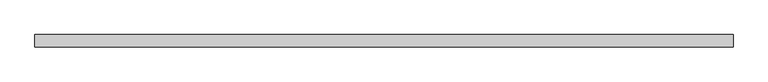
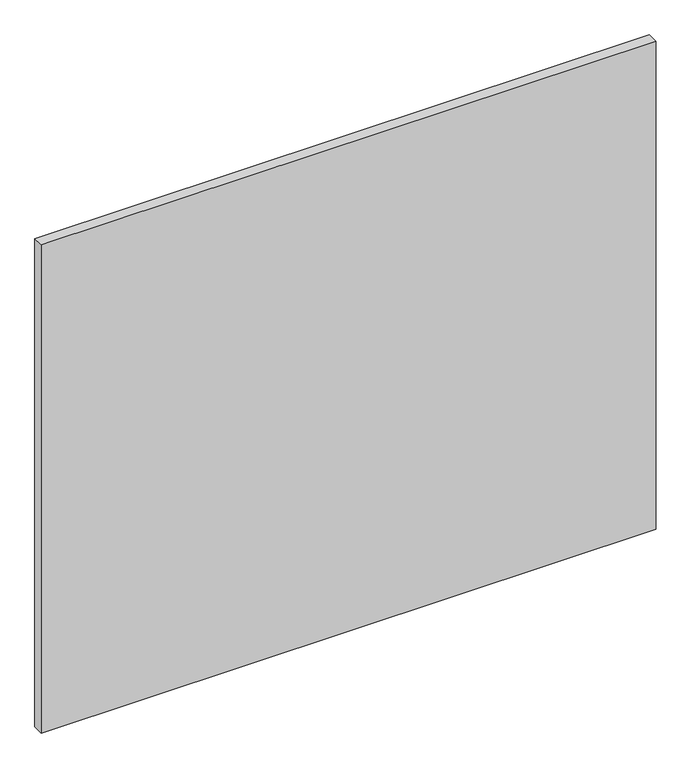
"""IFC4 building model written with IfcOpenShell, lengths in millimetres: proxy geometry."""

import ifcopenshell
import ifcopenshell.guid

model = None  # the IFC model being written
_history = None  # IfcOwnerHistory: only IFC2X3 demands one
_inside = {}  # id of a spatial element -> (the spatial element, [elements in it])
_under = {}  # id of a project, library or spatial element -> (it, [spatial elements below it])
_declared = {}  # id of a project -> (the project, [libraries it declares])
_typed = {}  # id of a type object -> (the type object, [elements of that type])
_made_of = {}  # id of a material, layer set ... -> (it, [elements and type objects made of it])


def new_model(schema):
    """Start an empty IFC model of exactly this schema.

    Asked for "IFC4X3", IfcOpenShell would pick the latest addendum, in which some entities
    have other attributes; the version numbers below select the first issue.
    IFC2X3 requires an IfcOwnerHistory on every rooted entity: one is made here for all.
    """
    global model, _history
    if schema == "IFC4X3":
        model = ifcopenshell.file(schema_version=(4, 3, 0, 0))
    else:
        model = ifcopenshell.file(schema=schema)
    _inside.clear()
    _under.clear()
    _declared.clear()
    _typed.clear()
    _made_of.clear()
    _history = None
    if model.schema == "IFC2X3":
        org = make("IfcOrganization", Name="unknown")
        user = make(
            "IfcPersonAndOrganization",
            ThePerson=make("IfcPerson", FamilyName="unknown"),
            TheOrganization=org,
        )
        app = make(
            "IfcApplication",
            ApplicationDeveloper=org,
            Version="unknown",
            ApplicationFullName="unknown",
            ApplicationIdentifier="unknown",
        )
        _history = make(
            "IfcOwnerHistory",
            OwningUser=user,
            OwningApplication=app,
            ChangeAction="ADDED",
            CreationDate=0,
        )
    return model


def make(cls, **values):
    """One entity of the class cls with the attributes given. An attribute that is None is left unset."""
    return model.create_entity(
        cls, **{name: value for name, value in values.items() if value is not None}
    )


def rooted(cls, **values):
    """An entity with a GlobalId (a new one), such as an element, a storey or a relation."""
    return make(cls, GlobalId=ifcopenshell.guid.new(), OwnerHistory=_history, **values)


def si_unit(unit_type, name, prefix=None):
    """IfcSIUnit, for example si_unit("LENGTHUNIT", "METRE", prefix="MILLI")."""
    return make("IfcSIUnit", UnitType=unit_type, Prefix=prefix, Name=name)


def assignment(units):
    """IfcUnitAssignment: the units of a project."""
    return None if units is None else make("IfcUnitAssignment", Units=units)


def point(xyz):
    """IfcCartesianPoint."""
    return None if xyz is None else make("IfcCartesianPoint", Coordinates=xyz)


def direction(xyz):
    """IfcDirection."""
    return None if xyz is None else make("IfcDirection", DirectionRatios=xyz)


def frame(location, z_axis=None, x_axis=None):
    """IfcAxis2Placement3D, a coordinate frame: its origin and axes. An axis left out is left unset."""
    return make(
        "IfcAxis2Placement3D",
        Location=point(location),
        Axis=direction(z_axis),
        RefDirection=direction(x_axis),
    )


def origin():
    """The frame at (0, 0, 0) with its axes left unset."""
    return frame((0.0, 0.0, 0.0))


def place(relative_to, where):
    """IfcLocalPlacement: puts the frame where relative to a parent placement (None: the world)."""
    return make(
        "IfcLocalPlacement", PlacementRelTo=relative_to, RelativePlacement=where
    )


def context(
    kind, dimensions, precision=None, world=None, true_north=None, identifier=None
):
    """IfcGeometricRepresentationContext, for example the 3D "Model" context."""
    return make(
        "IfcGeometricRepresentationContext",
        ContextIdentifier=identifier,
        ContextType=kind,
        CoordinateSpaceDimension=dimensions,
        Precision=precision,
        WorldCoordinateSystem=world,
        TrueNorth=true_north,
    )


def project(units=None, contexts=None):
    """IfcProject with its units and contexts."""
    return rooted(
        "IfcProject",
        Name="project",
        RepresentationContexts=contexts,
        UnitsInContext=assignment(units),
    )


def spatial(cls, under=None, at=None, **own):
    """A site, building, storey or space (cls), placed at a placement, below another one or the project."""
    s = rooted(cls, ObjectPlacement=at, **own)
    if under is not None:
        _under.setdefault(under.id(), (under, []))[1].append(s)
    return s


def polyline(points):
    """IfcPolyline through the points."""
    return make("IfcPolyline", Points=[point(p) for p in points])


def outline(outer, holes=None, kind="AREA"):
    """IfcArbitraryClosedProfileDef: a profile drawn as a closed curve; with holes, ...WithVoids."""
    if holes is None:
        return make("IfcArbitraryClosedProfileDef", ProfileType=kind, OuterCurve=outer)
    return make(
        "IfcArbitraryProfileDefWithVoids",
        ProfileType=kind,
        OuterCurve=outer,
        InnerCurves=holes,
    )


def extrude(swept, where, along, depth):
    """IfcExtrudedAreaSolid: the profile swept, set in the frame where, extruded along a direction by depth."""
    return make(
        "IfcExtrudedAreaSolid",
        SweptArea=swept,
        Position=where,
        ExtrudedDirection=direction(along),
        Depth=depth,
    )


def shape(context_of_items, identifier, shape_type, items):
    """IfcShapeRepresentation: the items that make up one representation, for example the "Body"."""
    return make(
        "IfcShapeRepresentation",
        ContextOfItems=context_of_items,
        RepresentationIdentifier=identifier,
        RepresentationType=shape_type,
        Items=items,
    )


def source(mapping_origin, context_of_items, identifier, shape_type, items):
    """IfcRepresentationMap: a shape defined once, which mapped items show again and again."""
    return make(
        "IfcRepresentationMap",
        MappingOrigin=mapping_origin,
        MappedRepresentation=shape(context_of_items, identifier, shape_type, items),
    )


def transform(
    local_origin,
    x_axis=None,
    y_axis=None,
    z_axis=None,
    scale=None,
    scale2=None,
    scale3=None,
    uniform=True,
):
    """IfcCartesianTransformationOperator3D, or its non-uniform kind. x_axis, y_axis, z_axis: its Axis1, 2, 3."""
    if uniform:
        return make(
            "IfcCartesianTransformationOperator3D",
            Axis1=direction(x_axis),
            Axis2=direction(y_axis),
            LocalOrigin=point(local_origin),
            Scale=scale,
            Axis3=direction(z_axis),
        )
    return make(
        "IfcCartesianTransformationOperator3DnonUniform",
        Axis1=direction(x_axis),
        Axis2=direction(y_axis),
        LocalOrigin=point(local_origin),
        Scale=scale,
        Axis3=direction(z_axis),
        Scale2=scale2,
        Scale3=scale3,
    )


def mapped(mapping_source, mapping_target):
    """IfcMappedItem: shows the shape of a source again, moved by a transform."""
    return make(
        "IfcMappedItem", MappingSource=mapping_source, MappingTarget=mapping_target
    )


def made_of(thing, what):
    """Note that an element or type object is made of a material, layer set ...; save() writes the relation."""
    if what is not None:
        _made_of.setdefault(what.id(), (what, []))[1].append(thing)
    return thing


def element(
    cls,
    number,
    at=None,
    inside=None,
    cuts=None,
    type_object=None,
    material=None,
    context=None,
    identifier="Body",
    shape_type=None,
    held_by="IfcProductDefinitionShape",
    body=None,
    shapes=None,
    **own,
):
    """One element of the class cls, such as IfcWall. Its Tag is "e" and its number.

    at: its placement. inside: the storey or other place that contains it. cuts: it is an
    opening in that element (IfcRelVoidsElement). A single representation is given by context,
    identifier, shape_type and body (its items); several are given by shapes. held_by: the class
    of the entity that holds the representations. save() writes the other relations.
    """
    e = rooted(cls, Tag="e%d" % number, ObjectPlacement=at, **own)
    if body is not None:
        shapes = [shape(context, identifier, shape_type, body)]
    if shapes is not None:
        e.Representation = make(held_by, Representations=shapes)
    if inside is not None:
        _inside.setdefault(inside.id(), (inside, []))[1].append(e)
    if cuts is not None:
        rooted(
            "IfcRelVoidsElement", RelatingBuildingElement=cuts, RelatedOpeningElement=e
        )
    if type_object is not None:
        _typed.setdefault(type_object.id(), (type_object, []))[1].append(e)
    return made_of(e, material)


def aggregate(whole, parts):
    """IfcRelAggregates: a whole, such as a stair, and the parts it consists of."""
    return rooted("IfcRelAggregates", RelatingObject=whole, RelatedObjects=parts)


def save(model, path):
    """Write the relations noted so far, then the file.

    IfcRelAggregates (storeys below a building ...), IfcRelContainedInSpatialStructure (elements
    in a storey), IfcRelDefinesByType, IfcRelAssociatesMaterial and IfcRelDeclares: one each for
    every whole, place, type object, material and project.
    """
    for whole, parts in _under.values():
        aggregate(whole, parts)
    for where, things in _inside.values():
        rooted(
            "IfcRelContainedInSpatialStructure",
            RelatedElements=things,
            RelatingStructure=where,
        )
    for kind, things in _typed.values():
        rooted("IfcRelDefinesByType", RelatedObjects=things, RelatingType=kind)
    for what, things in _made_of.values():
        rooted("IfcRelAssociatesMaterial", RelatedObjects=things, RelatingMaterial=what)
    for by, libraries in _declared.values():
        rooted("IfcRelDeclares", RelatingContext=by, RelatedDefinitions=libraries)
    model.write(path)


def specialty_equipment_15c2848b(model_context):
    return source(origin(), model_context, "Body", "SweptSolid", [
        extrude(outline(polyline([(531.5249999, 0.0), (531.5249999, -19.05), (-531.5249999, -19.05), (-531.5249999, 0.0), (531.5249999, 0.0)])), frame((0.0, 0.0, 3.175), z_axis=(0.0, 0.0, 1.0), x_axis=(1.0, 0.0, 0.0)), (0.0, 0.0, 1.0), 892.175),
    ])


if __name__ == "__main__":
    model = new_model("IFC4")
    model_context = context("Model", 3, world=origin())
    ifc_project = project(units=[si_unit("LENGTHUNIT", "METRE", prefix="MILLI")], contexts=[model_context])
    site = spatial("IfcSite", under=ifc_project)
    building = spatial("IfcBuilding", under=site)
    placement = place(None, origin())
    specialty_equipment_shape = specialty_equipment_15c2848b(model_context)
    element("IfcBuildingElementProxy", 1, Name="Specialty Equipment", at=placement, inside=building, context=model_context, shape_type="MappedRepresentation", body=[
        mapped(specialty_equipment_shape, transform((0.0, 0.0, 0.0), x_axis=(1.0, 0.0, 0.0), y_axis=(0.0, 1.0, 0.0), z_axis=(0.0, 0.0, 1.0))),
    ])
    save(model, "model.ifc")
